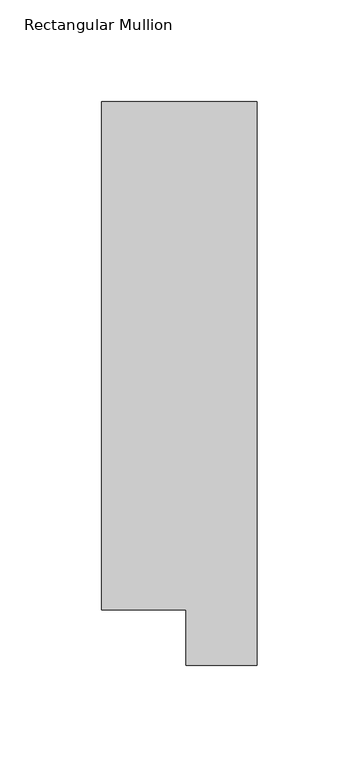
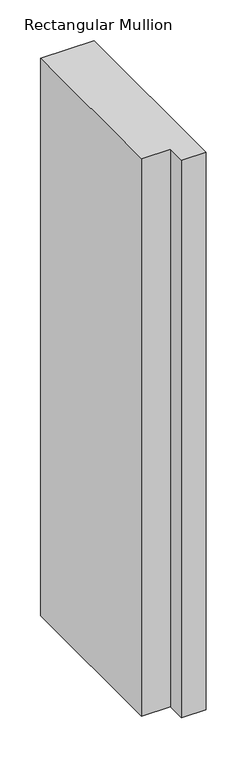
"""IFC4 building model written with IfcOpenShell, lengths in millimetres: member geometry, Rectangular Mullion."""

from ifc_helpers import new_model, si_unit, frame, origin, place, context, project, spatial, polyline, outline, extrude, source, transform, mapped, element, save


def rectangular_mullion_a37fc2db(model_context):
    return source(origin(), model_context, "Body", "SweptSolid", [
        extrude(outline(polyline([(0.0, 295.9695312), (0.0, 19.5667312), (-34.9123, 19.5667312), (-34.9123, 46.7447302), (-76.2, 46.7447302), (-76.2, 295.9695312), (0.0, 295.9695312)])), frame((0.0, 0.0, -838.2), z_axis=(0.0, 0.0, 1.0), x_axis=(1.0, 0.0, 0.0)), (0.0, 0.0, 1.0), 838.2),
    ])


if __name__ == "__main__":
    model = new_model("IFC4")
    model_context = context("Model", 3, world=origin())
    ifc_project = project(units=[si_unit("LENGTHUNIT", "METRE", prefix="MILLI")], contexts=[model_context])
    site = spatial("IfcSite", under=ifc_project)
    building = spatial("IfcBuilding", under=site)
    placement = place(None, origin())
    rectangular_mullion_shape = rectangular_mullion_a37fc2db(model_context)
    element("IfcMember", 1, ObjectType="Rectangular Mullion", at=placement, inside=building, context=model_context, shape_type="MappedRepresentation", body=[
        mapped(rectangular_mullion_shape, transform((0.0, 0.0, 0.0), x_axis=(1.0, 0.0, 0.0), y_axis=(0.0, 1.0, 0.0), z_axis=(0.0, 0.0, 1.0))),
    ])
    save(model, "model.ifc")
